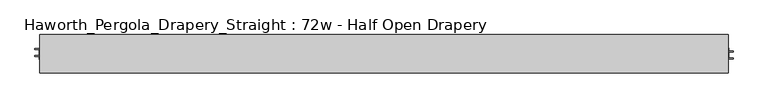
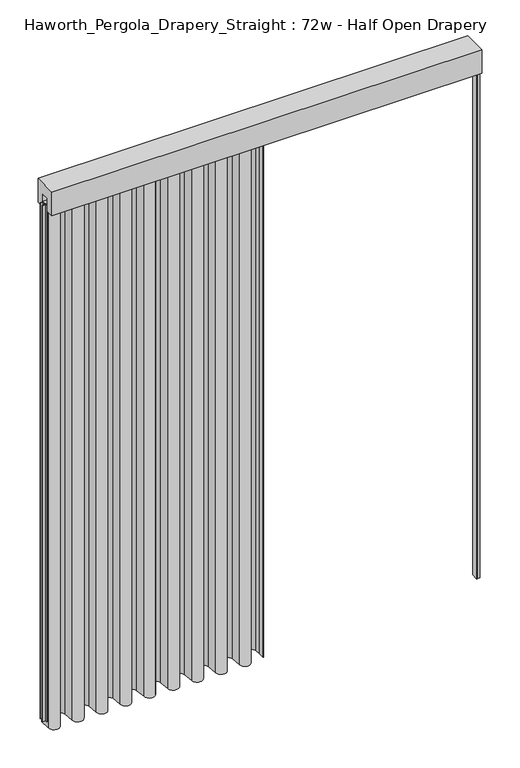
"""IFC4 building model written with IfcOpenShell, lengths in millimetres: furniture geometry, Haworth_Pergola_Drapery_Straight : 72w - Half Open Drapery."""

import ifcopenshell
import ifcopenshell.guid

model = None  # the IFC model being written
_history = None  # IfcOwnerHistory: only IFC2X3 demands one
_inside = {}  # id of a spatial element -> (the spatial element, [elements in it])
_under = {}  # id of a project, library or spatial element -> (it, [spatial elements below it])
_declared = {}  # id of a project -> (the project, [libraries it declares])
_typed = {}  # id of a type object -> (the type object, [elements of that type])
_made_of = {}  # id of a material, layer set ... -> (it, [elements and type objects made of it])


def new_model(schema):
    """Start an empty IFC model of exactly this schema.

    Asked for "IFC4X3", IfcOpenShell would pick the latest addendum, in which some entities
    have other attributes; the version numbers below select the first issue.
    IFC2X3 requires an IfcOwnerHistory on every rooted entity: one is made here for all.
    """
    global model, _history
    if schema == "IFC4X3":
        model = ifcopenshell.file(schema_version=(4, 3, 0, 0))
    else:
        model = ifcopenshell.file(schema=schema)
    _inside.clear()
    _under.clear()
    _declared.clear()
    _typed.clear()
    _made_of.clear()
    _history = None
    if model.schema == "IFC2X3":
        org = make("IfcOrganization", Name="unknown")
        user = make(
            "IfcPersonAndOrganization",
            ThePerson=make("IfcPerson", FamilyName="unknown"),
            TheOrganization=org,
        )
        app = make(
            "IfcApplication",
            ApplicationDeveloper=org,
            Version="unknown",
            ApplicationFullName="unknown",
            ApplicationIdentifier="unknown",
        )
        _history = make(
            "IfcOwnerHistory",
            OwningUser=user,
            OwningApplication=app,
            ChangeAction="ADDED",
            CreationDate=0,
        )
    return model


def make(cls, **values):
    """One entity of the class cls with the attributes given. An attribute that is None is left unset."""
    return model.create_entity(
        cls, **{name: value for name, value in values.items() if value is not None}
    )


def rooted(cls, **values):
    """An entity with a GlobalId (a new one), such as an element, a storey or a relation."""
    return make(cls, GlobalId=ifcopenshell.guid.new(), OwnerHistory=_history, **values)


def si_unit(unit_type, name, prefix=None):
    """IfcSIUnit, for example si_unit("LENGTHUNIT", "METRE", prefix="MILLI")."""
    return make("IfcSIUnit", UnitType=unit_type, Prefix=prefix, Name=name)


def assignment(units):
    """IfcUnitAssignment: the units of a project."""
    return None if units is None else make("IfcUnitAssignment", Units=units)


def point(xyz):
    """IfcCartesianPoint."""
    return None if xyz is None else make("IfcCartesianPoint", Coordinates=xyz)


def direction(xyz):
    """IfcDirection."""
    return None if xyz is None else make("IfcDirection", DirectionRatios=xyz)


def frame(location, z_axis=None, x_axis=None):
    """IfcAxis2Placement3D, a coordinate frame: its origin and axes. An axis left out is left unset."""
    return make(
        "IfcAxis2Placement3D",
        Location=point(location),
        Axis=direction(z_axis),
        RefDirection=direction(x_axis),
    )


def frame_2d(location, x_axis=None):
    """IfcAxis2Placement2D, a coordinate frame in the plane: its origin and x axis."""
    return make(
        "IfcAxis2Placement2D", Location=point(location), RefDirection=direction(x_axis)
    )


def origin():
    """The frame at (0, 0, 0) with its axes left unset."""
    return frame((0.0, 0.0, 0.0))


def place(relative_to, where):
    """IfcLocalPlacement: puts the frame where relative to a parent placement (None: the world)."""
    return make(
        "IfcLocalPlacement", PlacementRelTo=relative_to, RelativePlacement=where
    )


def context(
    kind, dimensions, precision=None, world=None, true_north=None, identifier=None
):
    """IfcGeometricRepresentationContext, for example the 3D "Model" context."""
    return make(
        "IfcGeometricRepresentationContext",
        ContextIdentifier=identifier,
        ContextType=kind,
        CoordinateSpaceDimension=dimensions,
        Precision=precision,
        WorldCoordinateSystem=world,
        TrueNorth=true_north,
    )


def project(units=None, contexts=None):
    """IfcProject with its units and contexts."""
    return rooted(
        "IfcProject",
        Name="project",
        RepresentationContexts=contexts,
        UnitsInContext=assignment(units),
    )


def spatial(cls, under=None, at=None, **own):
    """A site, building, storey or space (cls), placed at a placement, below another one or the project."""
    s = rooted(cls, ObjectPlacement=at, **own)
    if under is not None:
        _under.setdefault(under.id(), (under, []))[1].append(s)
    return s


def polyline(points):
    """IfcPolyline through the points."""
    return make("IfcPolyline", Points=[point(p) for p in points])


def circle_curve(where, radius):
    """IfcCircle in the frame where."""
    return make("IfcCircle", Position=where, Radius=radius)


def trimmed(basis, trim1, trim2, sense, master):
    """IfcTrimmedCurve: the piece of a basis curve between two trims."""
    return make(
        "IfcTrimmedCurve",
        BasisCurve=basis,
        Trim1=trim1,
        Trim2=trim2,
        SenseAgreement=sense,
        MasterRepresentation=master,
    )


def segment(curve, same_sense, transition):
    """IfcCompositeCurveSegment."""
    return make(
        "IfcCompositeCurveSegment",
        Transition=transition,
        SameSense=same_sense,
        ParentCurve=curve,
    )


def composite_curve(segments, self_intersect=None):
    """IfcCompositeCurve: segments joined end to end."""
    return make("IfcCompositeCurve", Segments=segments, SelfIntersect=self_intersect)


def outline(outer, holes=None, kind="AREA"):
    """IfcArbitraryClosedProfileDef: a profile drawn as a closed curve; with holes, ...WithVoids."""
    if holes is None:
        return make("IfcArbitraryClosedProfileDef", ProfileType=kind, OuterCurve=outer)
    return make(
        "IfcArbitraryProfileDefWithVoids",
        ProfileType=kind,
        OuterCurve=outer,
        InnerCurves=holes,
    )


def extrude(swept, where, along, depth):
    """IfcExtrudedAreaSolid: the profile swept, set in the frame where, extruded along a direction by depth."""
    return make(
        "IfcExtrudedAreaSolid",
        SweptArea=swept,
        Position=where,
        ExtrudedDirection=direction(along),
        Depth=depth,
    )


def shape(context_of_items, identifier, shape_type, items):
    """IfcShapeRepresentation: the items that make up one representation, for example the "Body"."""
    return make(
        "IfcShapeRepresentation",
        ContextOfItems=context_of_items,
        RepresentationIdentifier=identifier,
        RepresentationType=shape_type,
        Items=items,
    )


def source(mapping_origin, context_of_items, identifier, shape_type, items):
    """IfcRepresentationMap: a shape defined once, which mapped items show again and again."""
    return make(
        "IfcRepresentationMap",
        MappingOrigin=mapping_origin,
        MappedRepresentation=shape(context_of_items, identifier, shape_type, items),
    )


def transform(
    local_origin,
    x_axis=None,
    y_axis=None,
    z_axis=None,
    scale=None,
    scale2=None,
    scale3=None,
    uniform=True,
):
    """IfcCartesianTransformationOperator3D, or its non-uniform kind. x_axis, y_axis, z_axis: its Axis1, 2, 3."""
    if uniform:
        return make(
            "IfcCartesianTransformationOperator3D",
            Axis1=direction(x_axis),
            Axis2=direction(y_axis),
            LocalOrigin=point(local_origin),
            Scale=scale,
            Axis3=direction(z_axis),
        )
    return make(
        "IfcCartesianTransformationOperator3DnonUniform",
        Axis1=direction(x_axis),
        Axis2=direction(y_axis),
        LocalOrigin=point(local_origin),
        Scale=scale,
        Axis3=direction(z_axis),
        Scale2=scale2,
        Scale3=scale3,
    )


def mapped(mapping_source, mapping_target):
    """IfcMappedItem: shows the shape of a source again, moved by a transform."""
    return make(
        "IfcMappedItem", MappingSource=mapping_source, MappingTarget=mapping_target
    )


def made_of(thing, what):
    """Note that an element or type object is made of a material, layer set ...; save() writes the relation."""
    if what is not None:
        _made_of.setdefault(what.id(), (what, []))[1].append(thing)
    return thing


def element(
    cls,
    number,
    at=None,
    inside=None,
    cuts=None,
    type_object=None,
    material=None,
    context=None,
    identifier="Body",
    shape_type=None,
    held_by="IfcProductDefinitionShape",
    body=None,
    shapes=None,
    **own,
):
    """One element of the class cls, such as IfcWall. Its Tag is "e" and its number.

    at: its placement. inside: the storey or other place that contains it. cuts: it is an
    opening in that element (IfcRelVoidsElement). A single representation is given by context,
    identifier, shape_type and body (its items); several are given by shapes. held_by: the class
    of the entity that holds the representations. save() writes the other relations.
    """
    e = rooted(cls, Tag="e%d" % number, ObjectPlacement=at, **own)
    if body is not None:
        shapes = [shape(context, identifier, shape_type, body)]
    if shapes is not None:
        e.Representation = make(held_by, Representations=shapes)
    if inside is not None:
        _inside.setdefault(inside.id(), (inside, []))[1].append(e)
    if cuts is not None:
        rooted(
            "IfcRelVoidsElement", RelatingBuildingElement=cuts, RelatedOpeningElement=e
        )
    if type_object is not None:
        _typed.setdefault(type_object.id(), (type_object, []))[1].append(e)
    return made_of(e, material)


def aggregate(whole, parts):
    """IfcRelAggregates: a whole, such as a stair, and the parts it consists of."""
    return rooted("IfcRelAggregates", RelatingObject=whole, RelatedObjects=parts)


def save(model, path):
    """Write the relations noted so far, then the file.

    IfcRelAggregates (storeys below a building ...), IfcRelContainedInSpatialStructure (elements
    in a storey), IfcRelDefinesByType, IfcRelAssociatesMaterial and IfcRelDeclares: one each for
    every whole, place, type object, material and project.
    """
    for whole, parts in _under.values():
        aggregate(whole, parts)
    for where, things in _inside.values():
        rooted(
            "IfcRelContainedInSpatialStructure",
            RelatedElements=things,
            RelatingStructure=where,
        )
    for kind, things in _typed.values():
        rooted("IfcRelDefinesByType", RelatedObjects=things, RelatingType=kind)
    for what, things in _made_of.values():
        rooted("IfcRelAssociatesMaterial", RelatedObjects=things, RelatingMaterial=what)
    for by, libraries in _declared.values():
        rooted("IfcRelDeclares", RelatingContext=by, RelatedDefinitions=libraries)
    model.write(path)


def haworth_pergola_drapery_straight_72w_half_open_drapery_c907469c(model_context):
    return source(origin(), model_context, "Body", "SweptSolid", [
        extrude(outline(polyline([(-50.8, 2438.4), (50.8, 2438.4), (50.8, 2331.8390625), (15.2182948, 2331.8390625), (15.2182948, 2388.7001663), (-15.2182948, 2388.7001663), (-15.2182948, 2331.8390625), (-50.8, 2331.8390625), (-50.8, 2438.4)])), frame((-1790.7, 0.0, 0.0), z_axis=(1.0, 0.0, 0.0), x_axis=(0.0, 1.0, 0.0)), (0.0, 0.0, 1.0), 1828.8),
        extrude(outline(composite_curve([segment(polyline([(-1788.7, -20.9840165), (-1788.7, 25.4000008), (-1787.90625, 25.4000008), (-1787.90625, -20.9840165)]), True, "CONTINUOUS"), segment(trimmed(circle_curve(frame_2d((-1765.2970217, -20.9840165)), 22.6092283), [point((-1787.90625, -20.9840165))], [point((-1742.779759, -23.0211916))], True, "CARTESIAN"), True, "CONTINUOUS"), segment(polyline([(-1742.779759, -23.0211916), (-1738.5801015, 23.3983779)]), True, "CONTINUOUS"), segment(trimmed(circle_curve(frame_2d((-1714.5, 21.2198101)), 24.17845), [point((-1738.5801015, 23.3983779))], [point((-1690.4198983, 23.3983756))], False, "CARTESIAN"), True, "CONTINUOUS"), segment(polyline([(-1690.4198983, 23.3983756), (-1686.2298605, -22.9149155)]), True, "CONTINUOUS"), segment(trimmed(circle_curve(frame_2d((-1663.7000023, -20.876603)), 22.621875), [point((-1686.2298605, -22.9149155))], [point((-1641.1701443, -22.9149177))], True, "CARTESIAN"), True, "CONTINUOUS"), segment(polyline([(-1641.1701443, -22.9149177), (-1637.0109007, 23.0579488)]), True, "CONTINUOUS"), segment(trimmed(circle_curve(frame_2d((-1612.9, 20.8765946)), 24.209375), [point((-1637.0109007, 23.0579488))], [point((-1588.7890991, 23.0579465))], False, "CARTESIAN"), True, "CONTINUOUS"), segment(polyline([(-1588.7890991, 23.0579465), (-1584.6298605, -22.9149157)]), True, "CONTINUOUS"), segment(trimmed(circle_curve(frame_2d((-1562.1000023, -20.8766032)), 22.621875), [point((-1584.6298605, -22.9149157))], [point((-1539.5701443, -22.9149178))], True, "CARTESIAN"), True, "CONTINUOUS"), segment(polyline([(-1539.5701443, -22.9149178), (-1535.4109007, 23.0579492)]), True, "CONTINUOUS"), segment(trimmed(circle_curve(frame_2d((-1511.3, 20.876595)), 24.209375), [point((-1535.4109007, 23.0579492))], [point((-1487.1890991, 23.0579469))], False, "CARTESIAN"), True, "CONTINUOUS"), segment(polyline([(-1487.1890991, 23.0579469), (-1483.0298605, -22.9149155)]), True, "CONTINUOUS"), segment(trimmed(circle_curve(frame_2d((-1460.5000023, -20.876603)), 22.621875), [point((-1483.0298605, -22.9149155))], [point((-1437.9701443, -22.9149177))], True, "CARTESIAN"), True, "CONTINUOUS"), segment(polyline([(-1437.9701443, -22.9149177), (-1433.7801015, 23.3983779)]), True, "CONTINUOUS"), segment(trimmed(circle_curve(frame_2d((-1409.7, 21.2198101)), 24.17845), [point((-1433.7801015, 23.3983779))], [point((-1385.6198983, 23.3983756))], False, "CARTESIAN"), True, "CONTINUOUS"), segment(polyline([(-1385.6198983, 23.3983756), (-1381.4298605, -22.9149155)]), True, "CONTINUOUS"), segment(trimmed(circle_curve(frame_2d((-1358.9000023, -20.876603)), 22.621875), [point((-1381.4298605, -22.9149155))], [point((-1336.3701443, -22.9149177))], True, "CARTESIAN"), True, "CONTINUOUS"), segment(polyline([(-1336.3701443, -22.9149177), (-1332.1801015, 23.3983779)]), True, "CONTINUOUS"), segment(trimmed(circle_curve(frame_2d((-1308.1, 21.2198101)), 24.17845), [point((-1332.1801015, 23.3983779))], [point((-1284.0198983, 23.3983756))], False, "CARTESIAN"), True, "CONTINUOUS"), segment(polyline([(-1284.0198983, 23.3983756), (-1279.8298605, -22.9149155)]), True, "CONTINUOUS"), segment(trimmed(circle_curve(frame_2d((-1257.3000023, -20.876603)), 22.621875), [point((-1279.8298605, -22.9149155))], [point((-1234.7701443, -22.9149177))], True, "CARTESIAN"), True, "CONTINUOUS"), segment(polyline([(-1234.7701443, -22.9149177), (-1230.5801015, 23.3983779)]), True, "CONTINUOUS"), segment(trimmed(circle_curve(frame_2d((-1206.5, 21.2198101)), 24.17845), [point((-1230.5801015, 23.3983779))], [point((-1182.4198983, 23.3983756))], False, "CARTESIAN"), True, "CONTINUOUS"), segment(polyline([(-1182.4198983, 23.3983756), (-1178.2298605, -22.9149155)]), True, "CONTINUOUS"), segment(trimmed(circle_curve(frame_2d((-1155.7000023, -20.876603)), 22.621875), [point((-1178.2298605, -22.9149155))], [point((-1133.1701443, -22.9149177))], True, "CARTESIAN"), True, "CONTINUOUS"), segment(polyline([(-1133.1701443, -22.9149177), (-1128.9801015, 23.3983779)]), True, "CONTINUOUS"), segment(trimmed(circle_curve(frame_2d((-1104.9, 21.2198101)), 24.17845), [point((-1128.9801015, 23.3983779))], [point((-1080.8198983, 23.3983756))], False, "CARTESIAN"), True, "CONTINUOUS"), segment(polyline([(-1080.8198983, 23.3983756), (-1076.6298605, -22.9149155)]), True, "CONTINUOUS"), segment(trimmed(circle_curve(frame_2d((-1054.1000023, -20.876603)), 22.621875), [point((-1076.6298605, -22.9149155))], [point((-1031.5701443, -22.9149177))], True, "CARTESIAN"), True, "CONTINUOUS"), segment(polyline([(-1031.5701443, -22.9149177), (-1027.3801015, 23.3983779)]), True, "CONTINUOUS"), segment(trimmed(circle_curve(frame_2d((-1003.3, 21.2198101)), 24.17845), [point((-1027.3801015, 23.3983779))], [point((-979.2198983, 23.3983756))], False, "CARTESIAN"), True, "CONTINUOUS"), segment(polyline([(-979.2198983, 23.3983756), (-975.0298605, -22.9149155)]), True, "CONTINUOUS"), segment(trimmed(circle_curve(frame_2d((-952.5000023, -20.876603)), 22.621875), [point((-975.0298605, -22.9149155))], [point((-929.9701443, -22.9149177))], True, "CARTESIAN"), True, "CONTINUOUS"), segment(polyline([(-929.9701443, -22.9149177), (-925.7801015, 23.3983779)]), True, "CONTINUOUS"), segment(trimmed(circle_curve(frame_2d((-901.7, 21.2198101)), 24.17845), [point((-925.7801015, 23.3983779))], [point((-877.6198983, 23.3983756))], False, "CARTESIAN"), True, "CONTINUOUS"), segment(polyline([(-877.6198983, 23.3983756), (-875.9371094, 4.7981874), (-875.9371094, -25.4000007), (-876.7308594, -25.4000007), (-876.7308594, 4.7623547), (-878.4104196, 23.3268558)]), True, "CONTINUOUS"), segment(trimmed(circle_curve(frame_2d((-901.7, 21.2198101)), 23.3847), [point((-878.4104196, 23.3268558))], [point((-924.9895802, 23.3268581))], True, "CARTESIAN"), True, "CONTINUOUS"), segment(polyline([(-924.9895802, 23.3268581), (-929.1796229, -22.9864375)]), True, "CONTINUOUS"), segment(trimmed(circle_curve(frame_2d((-952.5000023, -20.876603)), 23.415625), [point((-929.1796229, -22.9864375))], [point((-975.8203818, -22.9864352))], False, "CARTESIAN"), True, "CONTINUOUS"), segment(polyline([(-975.8203818, -22.9864352), (-980.0104196, 23.3268558)]), True, "CONTINUOUS"), segment(trimmed(circle_curve(frame_2d((-1003.3, 21.2198101)), 23.3847), [point((-980.0104196, 23.3268558))], [point((-1026.5895802, 23.3268581))], True, "CARTESIAN"), True, "CONTINUOUS"), segment(polyline([(-1026.5895802, 23.3268581), (-1030.7796229, -22.9864375)]), True, "CONTINUOUS"), segment(trimmed(circle_curve(frame_2d((-1054.1000023, -20.876603)), 23.415625), [point((-1030.7796229, -22.9864375))], [point((-1077.4203818, -22.9864352))], False, "CARTESIAN"), True, "CONTINUOUS"), segment(polyline([(-1077.4203818, -22.9864352), (-1081.6104196, 23.3268558)]), True, "CONTINUOUS"), segment(trimmed(circle_curve(frame_2d((-1104.9, 21.2198101)), 23.3847), [point((-1081.6104196, 23.3268558))], [point((-1128.1895802, 23.3268581))], True, "CARTESIAN"), True, "CONTINUOUS"), segment(polyline([(-1128.1895802, 23.3268581), (-1132.3796229, -22.9864375)]), True, "CONTINUOUS"), segment(trimmed(circle_curve(frame_2d((-1155.7000023, -20.876603)), 23.415625), [point((-1132.3796229, -22.9864375))], [point((-1179.0203818, -22.9864352))], False, "CARTESIAN"), True, "CONTINUOUS"), segment(polyline([(-1179.0203818, -22.9864352), (-1183.2104196, 23.3268558)]), True, "CONTINUOUS"), segment(trimmed(circle_curve(frame_2d((-1206.5, 21.2198101)), 23.3847), [point((-1183.2104196, 23.3268558))], [point((-1229.7895802, 23.3268581))], True, "CARTESIAN"), True, "CONTINUOUS"), segment(polyline([(-1229.7895802, 23.3268581), (-1233.9796229, -22.9864375)]), True, "CONTINUOUS"), segment(trimmed(circle_curve(frame_2d((-1257.3000023, -20.876603)), 23.415625), [point((-1233.9796229, -22.9864375))], [point((-1280.6203818, -22.9864352))], False, "CARTESIAN"), True, "CONTINUOUS"), segment(polyline([(-1280.6203818, -22.9864352), (-1284.8104196, 23.3268558)]), True, "CONTINUOUS"), segment(trimmed(circle_curve(frame_2d((-1308.1, 21.2198101)), 23.3847), [point((-1284.8104196, 23.3268558))], [point((-1331.3895802, 23.3268581))], True, "CARTESIAN"), True, "CONTINUOUS"), segment(polyline([(-1331.3895802, 23.3268581), (-1335.5796229, -22.9864375)]), True, "CONTINUOUS"), segment(trimmed(circle_curve(frame_2d((-1358.9000023, -20.876603)), 23.415625), [point((-1335.5796229, -22.9864375))], [point((-1382.2203818, -22.9864352))], False, "CARTESIAN"), True, "CONTINUOUS"), segment(polyline([(-1382.2203818, -22.9864352), (-1386.4104196, 23.3268558)]), True, "CONTINUOUS"), segment(trimmed(circle_curve(frame_2d((-1409.7, 21.2198101)), 23.3847), [point((-1386.4104196, 23.3268558))], [point((-1432.9895802, 23.3268581))], True, "CARTESIAN"), True, "CONTINUOUS"), segment(polyline([(-1432.9895802, 23.3268581), (-1437.1796229, -22.9864375)]), True, "CONTINUOUS"), segment(trimmed(circle_curve(frame_2d((-1460.5000023, -20.876603)), 23.415625), [point((-1437.1796229, -22.9864375))], [point((-1483.8203818, -22.9864352))], False, "CARTESIAN"), True, "CONTINUOUS"), segment(polyline([(-1483.8203818, -22.9864352), (-1487.9796205, 22.9864271)]), True, "CONTINUOUS"), segment(trimmed(circle_curve(frame_2d((-1511.3, 20.876595)), 23.415625), [point((-1487.9796205, 22.9864271))], [point((-1534.6203794, 22.9864294))], True, "CARTESIAN"), True, "CONTINUOUS"), segment(polyline([(-1534.6203794, 22.9864294), (-1538.7796229, -22.9864377)]), True, "CONTINUOUS"), segment(trimmed(circle_curve(frame_2d((-1562.1000023, -20.8766032)), 23.415625), [point((-1538.7796229, -22.9864377))], [point((-1585.4203818, -22.9864354))], False, "CARTESIAN"), True, "CONTINUOUS"), segment(polyline([(-1585.4203818, -22.9864354), (-1589.5796205, 22.9864268)]), True, "CONTINUOUS"), segment(trimmed(circle_curve(frame_2d((-1612.9, 20.8765946)), 23.415625), [point((-1589.5796205, 22.9864268))], [point((-1636.2203794, 22.986429))], True, "CARTESIAN"), True, "CONTINUOUS"), segment(polyline([(-1636.2203794, 22.986429), (-1640.3796229, -22.9864375)]), True, "CONTINUOUS"), segment(trimmed(circle_curve(frame_2d((-1663.7000023, -20.876603)), 23.415625), [point((-1640.3796229, -22.9864375))], [point((-1687.0203818, -22.9864352))], False, "CARTESIAN"), True, "CONTINUOUS"), segment(polyline([(-1687.0203818, -22.9864352), (-1691.2104196, 23.3268558)]), True, "CONTINUOUS"), segment(trimmed(circle_curve(frame_2d((-1714.5, 21.2198101)), 23.3847), [point((-1691.2104196, 23.3268558))], [point((-1737.7895802, 23.3268581))], True, "CARTESIAN"), True, "CONTINUOUS"), segment(polyline([(-1737.7895802, 23.3268581), (-1741.9892377, -23.0927114)]), True, "CONTINUOUS"), segment(trimmed(circle_curve(frame_2d((-1765.2970217, -20.9840165)), 23.4029783), [point((-1741.9892377, -23.0927114))], [point((-1788.7, -20.9840165))], False, "CARTESIAN"), True, "CONTINUOUS")], self_intersect=False)), frame((0.0, 0.0, 12.7), z_axis=(0.0, 0.0, 1.0), x_axis=(1.0, 0.0, 0.0)), (0.0, 0.0, 1.0), 2343.15),
        extrude(outline(polyline([(-1790.7, -15.2249995), (-1790.7, 15.2249996), (38.1, 15.2249996), (38.1, -15.2249995), (-1790.7, -15.2249995)])), frame((0.0, 0.0, 2355.85), z_axis=(0.0, 0.0, 1.0), x_axis=(1.0, 0.0, 0.0)), (0.0, 0.0, 1.0), 1.7500385),
        extrude(outline(polyline([(38.1, -15.2249996), (38.1, 15.2249995), (39.8500001, 15.2249995), (39.8500001, 7.8249998), (51.4999997, 7.8249998), (51.4999997, 4.8250001), (39.8500001, 4.8250001), (39.8500001, -11.8250005), (51.3499997, -11.8250005), (51.3499997, -13.3999997), (39.8500001, -13.3999997), (39.8500001, -15.2249996), (38.1, -15.2249996)])), frame((0.0, 0.0, 38.1), z_axis=(0.0, 0.0, 1.0), x_axis=(1.0, 0.0, 0.0)), (0.0, 0.0, 1.0), 2317.75),
        extrude(outline(polyline([(-1790.7, 15.2249996), (-1790.7, -15.2249995), (-1792.4500001, -15.2249995), (-1792.4500001, -7.8249998), (-1804.0999997, -7.8249998), (-1804.0999997, -4.8250001), (-1792.4500001, -4.8250001), (-1792.4500001, 11.8250005), (-1803.9499997, 11.8250005), (-1803.9499997, 13.3999997), (-1792.4500001, 13.3999997), (-1792.4500001, 15.2249996), (-1790.7, 15.2249996)])), frame((0.0, 0.0, 38.1), z_axis=(0.0, 0.0, 1.0), x_axis=(1.0, 0.0, 0.0)), (0.0, 0.0, 1.0), 2317.75),
        extrude(outline(composite_curve([segment(trimmed(circle_curve(frame_2d((-876.3, 0.0)), 6.0), [point((-882.3, 0.0))], [point((-870.3, 0.0))], False, "CARTESIAN"), True, "CONTINUOUS"), segment(trimmed(circle_curve(frame_2d((-876.3, 0.0)), 6.0), [point((-870.3, 0.0))], [point((-882.3, 0.0))], False, "CARTESIAN"), True, "CONTINUOUS")], self_intersect=False)), frame((0.0, 0.0, 2319.1390625), z_axis=(0.0, 0.0, 1.0), x_axis=(1.0, 0.0, 0.0)), (0.0, 0.0, 1.0), 36.7109375),
    ])


if __name__ == "__main__":
    model = new_model("IFC4")
    model_context = context("Model", 3, world=origin())
    ifc_project = project(units=[si_unit("LENGTHUNIT", "METRE", prefix="MILLI")], contexts=[model_context])
    site = spatial("IfcSite", under=ifc_project)
    building = spatial("IfcBuilding", under=site)
    placement = place(None, origin())
    haworth_pergola_drapery_straight_72w_half_open_drapery_shape = haworth_pergola_drapery_straight_72w_half_open_drapery_c907469c(model_context)
    element("IfcFurniture", 1, ObjectType="Haworth_Pergola_Drapery_Straight : 72w - Half Open Drapery", at=placement, inside=building, context=model_context, shape_type="MappedRepresentation", body=[
        mapped(haworth_pergola_drapery_straight_72w_half_open_drapery_shape, transform((0.0, 0.0, 0.0), x_axis=(1.0, 0.0, 0.0), y_axis=(0.0, 1.0, 0.0), z_axis=(0.0, 0.0, 1.0))),
    ])
    save(model, "model.ifc")
